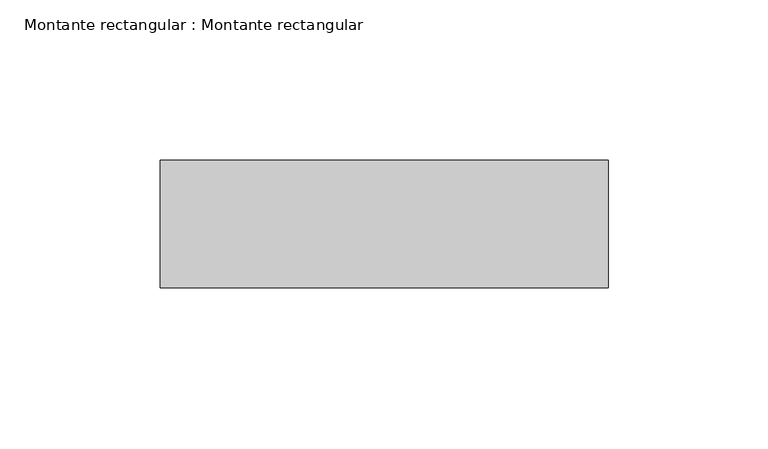
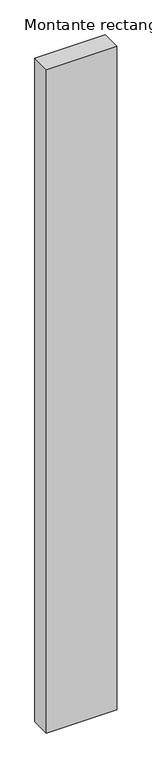
"""IFC4 building model written with IfcOpenShell, lengths in millimetres: member geometry, Montante rectangular : Montante rectangular."""

from ifc_helpers import new_model, si_unit, frame, origin, place, context, project, spatial, polyline, outline, extrude, source, transform, mapped, element, save


def montante_rectangular_montante_rectangular_ebf11851(model_context):
    return source(origin(), model_context, "Body", "SweptSolid", [
        extrude(outline(polyline([(84.4064043, -4.614603), (84.4064043, -44.614603), (-55.5935957, -44.614603), (-55.5935957, -4.614603), (84.4064043, -4.614603)])), frame((0.0, 0.0, -1400.0), z_axis=(0.0, 0.0, 1.0), x_axis=(1.0, 0.0, 0.0)), (0.0, 0.0, 1.0), 1400.0),
    ])


if __name__ == "__main__":
    model = new_model("IFC4")
    model_context = context("Model", 3, world=origin())
    ifc_project = project(units=[si_unit("LENGTHUNIT", "METRE", prefix="MILLI")], contexts=[model_context])
    site = spatial("IfcSite", under=ifc_project)
    building = spatial("IfcBuilding", under=site)
    placement = place(None, origin())
    montante_rectangular_montante_rectangular_shape = montante_rectangular_montante_rectangular_ebf11851(model_context)
    element("IfcMember", 1, ObjectType="Montante rectangular : Montante rectangular", at=placement, inside=building, context=model_context, shape_type="MappedRepresentation", body=[
        mapped(montante_rectangular_montante_rectangular_shape, transform((0.0, 0.0, 0.0), x_axis=(1.0, 0.0, 0.0), y_axis=(0.0, 1.0, 0.0), z_axis=(0.0, 0.0, 1.0))),
    ])
    save(model, "model.ifc")
